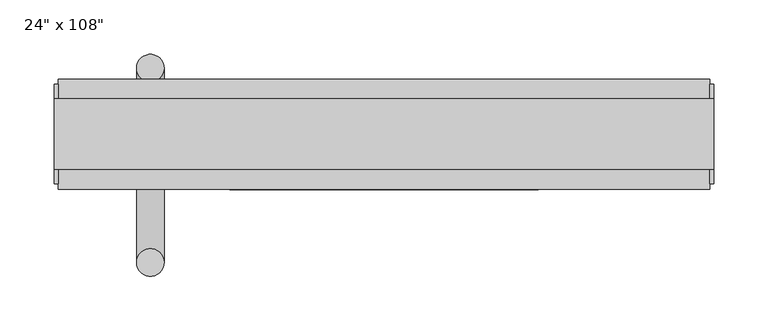
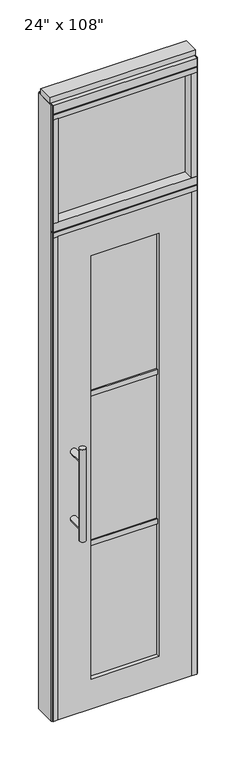
"""IFC4 building model written with IfcOpenShell, lengths in millimetres: furniture geometry."""

from ifc_helpers import new_model, si_unit, frame, origin, origin_with_axes, place, context, project, spatial, polyline, circle_curve, ellipse_curve, outline, extrude, source, transform, mapped, element, save
from ifc_brep_helpers import plane_surface, cylinder_surface, advanced_brep


def furniture_33a9fd7a(model_context):
    return source(origin(), model_context, "Body", "SolidModel", [
        extrude(outline(polyline([(218.6014771, -9.5977216), (-338.6745229, -9.5977216), (-338.6745229, 0.5622784), (218.6014771, 0.5622784), (218.6014771, -9.5977216)])), frame((0.0, 0.0, 2197.1), z_axis=(0.0, 0.0, 1.0), x_axis=(1.0, 0.0, 0.0)), (0.0, 0.0, 1.0), 457.2),
        advanced_brep(
        [(-288.6365229, 56.6962784, 1219.2), (-263.2365229, 56.6962784, 1219.2), (-288.6365229, 56.6962784, 812.8), (-263.2365229, 56.6962784, 812.8), (-263.2365229, 56.6962784, 1164.336), (-263.2365229, 56.6962784, 867.664), (-288.6365229, 56.6962784, 867.664), (-288.6365229, 56.6962784, 1164.336), (-288.6365229, -10.8677216, 1164.336), (-263.2365229, -10.8677216, 1164.336), (-288.6365229, -10.8677216, 867.664), (-263.2365229, -10.8677216, 867.664)],
        [
            (0, 1, circle_curve(frame((-275.9365229, 56.6962784, 1219.2), z_axis=(0.0, 0.0, 1.0), x_axis=(1.0, 0.0, 0.0)), 12.7)),
            (1, 0, circle_curve(frame((-275.9365229, 56.6962784, 1219.2), z_axis=(0.0, 0.0, 1.0), x_axis=(1.0, 0.0, 0.0)), 12.7)),
            (2, 3, circle_curve(frame((-275.9365229, 56.6962784, 812.8), z_axis=(0.0, 0.0, -1.0), x_axis=(1.0, 0.0, 0.0)), 12.7)),
            (3, 2, circle_curve(frame((-275.9365229, 56.6962784, 812.8), z_axis=(0.0, 0.0, -1.0), x_axis=(1.0, 0.0, 0.0)), 12.7)),
            (1, 4),
            (4, 5),
            (5, 3),
            (2, 6),
            (6, 7),
            (7, 0),
            (6, 5, ellipse_curve(frame((-275.9365229, 56.6962784, 867.664), z_axis=(0.0, 0.707106781186565, 0.70710678118653), x_axis=(0.0, -0.70710678118653, 0.707106781186565)), 17.9605122, 12.7)),
            (4, 7, ellipse_curve(frame((-275.9365229, 56.6962784, 1164.336), z_axis=(0.0, 0.70710678118653, -0.7071067811865649), x_axis=(0.0, 0.7071067811865648, 0.7071067811865301)), 17.9605122, 12.7)),
            (7, 4, ellipse_curve(frame((-275.9365229, 56.6962784, 1164.336), z_axis=(0.0, 0.707106781186565, 0.70710678118653), x_axis=(0.0, -0.70710678118653, 0.707106781186565)), 17.9605122, 12.7)),
            (5, 6, ellipse_curve(frame((-275.9365229, 56.6962784, 867.664), z_axis=(0.0, 0.70710678118653, -0.7071067811865649), x_axis=(0.0, 0.7071067811865648, 0.7071067811865301)), 17.9605122, 12.7)),
            (8, 9, circle_curve(frame((-275.9365229, -10.8677216, 1164.336), z_axis=(0.0, -1.0, 0.0), x_axis=(1.0, 0.0, 0.0)), 12.7)),
            (9, 8, circle_curve(frame((-275.9365229, -10.8677216, 1164.336), z_axis=(0.0, -1.0, 0.0), x_axis=(1.0, 0.0, 0.0)), 12.7)),
            (8, 7),
            (4, 9),
            (10, 11, circle_curve(frame((-275.9365229, -10.8677216, 867.664), z_axis=(0.0, -1.0, 0.0), x_axis=(1.0, 0.0, 0.0)), 12.7)),
            (11, 10, circle_curve(frame((-275.9365229, -10.8677216, 867.664), z_axis=(0.0, -1.0, 0.0), x_axis=(1.0, 0.0, 0.0)), 12.7)),
            (10, 6),
            (5, 11),
        ],
        [
            plane_surface(frame((-263.2365229, 56.6962784, 1219.2), z_axis=(0.0, 0.0, 1.0), x_axis=(0.0, -1.0, 0.0))),
            plane_surface(frame((-263.2365229, 56.6962784, 812.8), z_axis=(0.0, 0.0, -1.0), x_axis=(0.0, 1.0, 0.0))),
            cylinder_surface(frame((-275.9365229, 56.6962784, 812.8), z_axis=(0.0, 0.0, 1.0), x_axis=(1.0, 0.0, 0.0)), 12.7),
            plane_surface(frame((-263.2365229, -10.8677216, 1164.336), z_axis=(0.0, -1.0, 0.0), x_axis=(0.0, 0.0, -1.0))),
            cylinder_surface(frame((-275.9365229, -10.8677216, 1164.336), z_axis=(0.0, 1.0, 0.0), x_axis=(1.0, 0.0, 0.0)), 12.7),
            plane_surface(frame((-263.2365229, -10.8677216, 867.664), z_axis=(0.0, -1.0, 0.0), x_axis=(0.0, 0.0, -1.0))),
            cylinder_surface(frame((-275.9365229, -10.8677216, 867.664), z_axis=(0.0, 1.0, 0.0), x_axis=(1.0, 0.0, 0.0)), 12.7),
        ],
        [
            (0, [[1, 2]]),
            (1, [[3, 4]]),
            (2, [[5, 6, 7, -3, 8, 9, 10, -2]]),
            (2, [[-9, 11, -6, 12]]),
            (2, [[-10, 13, -5, -1]]),
            (2, [[-7, 14, -8, -4]]),
            (3, [[15, 16]]),
            (4, [[17, -12, 18, -15]]),
            (4, [[-18, -13, -17, -16]]),
            (5, [[19, 20]]),
            (6, [[21, -14, 22, -19]]),
            (6, [[-22, -11, -21, -20]]),
        ],
    ),
        advanced_brep(
        [(-288.6365229, -122.8817216, 1219.2), (-263.2365229, -122.8817216, 1219.2), (-288.6365229, -122.8817216, 812.8), (-263.2365229, -122.8817216, 812.8), (-288.6365229, -122.8817216, 1164.336), (-288.6365229, -122.8817216, 867.664), (-263.2365229, -122.8817216, 867.664), (-263.2365229, -122.8817216, 1164.336), (-288.6365229, -55.3177216, 1164.336), (-263.2365229, -55.3177216, 1164.336), (-288.6365229, -55.3177216, 867.664), (-263.2365229, -55.3177216, 867.664)],
        [
            (0, 1, circle_curve(frame((-275.9365229, -122.8817216, 1219.2), z_axis=(0.0, 0.0, 1.0), x_axis=(1.0, 0.0, 0.0)), 12.7)),
            (1, 0, circle_curve(frame((-275.9365229, -122.8817216, 1219.2), z_axis=(0.0, 0.0, 1.0), x_axis=(1.0, 0.0, 0.0)), 12.7)),
            (2, 3, circle_curve(frame((-275.9365229, -122.8817216, 812.8), z_axis=(0.0, 0.0, -1.0), x_axis=(1.0, 0.0, 0.0)), 12.7)),
            (3, 2, circle_curve(frame((-275.9365229, -122.8817216, 812.8), z_axis=(0.0, 0.0, -1.0), x_axis=(1.0, 0.0, 0.0)), 12.7)),
            (0, 4),
            (4, 5),
            (5, 2),
            (3, 6),
            (6, 7),
            (7, 1),
            (7, 4, ellipse_curve(frame((-275.9365229, -122.8817216, 1164.336), z_axis=(0.0, -0.707106781186565, 0.70710678118653), x_axis=(0.0, 0.70710678118653, 0.707106781186565)), 17.9605122, 12.7)),
            (5, 6, ellipse_curve(frame((-275.9365229, -122.8817216, 867.664), z_axis=(0.0, -0.70710678118653, -0.7071067811865649), x_axis=(0.0, -0.7071067811865648, 0.7071067811865301)), 17.9605122, 12.7)),
            (4, 7, ellipse_curve(frame((-275.9365229, -122.8817216, 1164.336), z_axis=(0.0, -0.70710678118653, -0.7071067811865649), x_axis=(0.0, -0.7071067811865648, 0.7071067811865301)), 17.9605122, 12.7)),
            (6, 5, ellipse_curve(frame((-275.9365229, -122.8817216, 867.664), z_axis=(0.0, -0.707106781186565, 0.70710678118653), x_axis=(0.0, 0.70710678118653, 0.707106781186565)), 17.9605122, 12.7)),
            (8, 9, circle_curve(frame((-275.9365229, -55.3177216, 1164.336), z_axis=(0.0, 1.0, 0.0), x_axis=(1.0, 0.0, 0.0)), 12.7)),
            (9, 8, circle_curve(frame((-275.9365229, -55.3177216, 1164.336), z_axis=(0.0, 1.0, 0.0), x_axis=(1.0, 0.0, 0.0)), 12.7)),
            (9, 7),
            (4, 8),
            (10, 11, circle_curve(frame((-275.9365229, -55.3177216, 867.664), z_axis=(0.0, 1.0, 0.0), x_axis=(1.0, 0.0, 0.0)), 12.7)),
            (11, 10, circle_curve(frame((-275.9365229, -55.3177216, 867.664), z_axis=(0.0, 1.0, 0.0), x_axis=(1.0, 0.0, 0.0)), 12.7)),
            (11, 6),
            (5, 10),
        ],
        [
            plane_surface(frame((-263.2365229, -122.8817216, 1219.2), z_axis=(0.0, 0.0, 1.0), x_axis=(0.0, 1.0, 0.0))),
            plane_surface(frame((-263.2365229, -122.8817216, 812.8), z_axis=(0.0, 0.0, -1.0), x_axis=(0.0, -1.0, 0.0))),
            cylinder_surface(frame((-275.9365229, -122.8817216, 812.8), z_axis=(0.0, 0.0, 1.0), x_axis=(1.0, 0.0, 0.0)), 12.7),
            plane_surface(frame((-263.2365229, -55.3177216, 1164.336), z_axis=(0.0, 1.0, 0.0), x_axis=(0.0, 0.0, -1.0))),
            cylinder_surface(frame((-275.9365229, -55.3177216, 1164.336), z_axis=(0.0, -1.0, 0.0), x_axis=(1.0, 0.0, 0.0)), 12.7),
            plane_surface(frame((-263.2365229, -55.3177216, 867.664), z_axis=(0.0, 1.0, 0.0), x_axis=(0.0, 0.0, -1.0))),
            cylinder_surface(frame((-275.9365229, -55.3177216, 867.664), z_axis=(0.0, -1.0, 0.0), x_axis=(1.0, 0.0, 0.0)), 12.7),
        ],
        [
            (0, [[1, 2]]),
            (1, [[3, 4]]),
            (2, [[-1, 5, 6, 7, -4, 8, 9, 10]]),
            (2, [[-2, -10, 11, -5]]),
            (2, [[-3, -7, 12, -8]]),
            (2, [[13, -9, 14, -6]]),
            (3, [[15, 16]]),
            (4, [[-16, 17, -13, 18]]),
            (4, [[-15, -18, -11, -17]]),
            (5, [[19, 20]]),
            (6, [[-20, 21, -12, 22]]),
            (6, [[-19, -22, -14, -21]]),
        ],
    ),
        extrude(outline(polyline([(-202.6575229, -44.2052216), (-202.6575229, -21.9802216), (82.5844771, -21.9802216), (82.5844771, -44.2052216), (-202.6575229, -44.2052216)])), frame((0.0, 0.0, 1371.6), z_axis=(0.0, 0.0, 1.0), x_axis=(1.0, 0.0, 0.0)), (0.0, 0.0, 1.0), 22.225),
        extrude(outline(polyline([(-202.6575229, -44.2052216), (-202.6575229, -21.9802216), (82.5844771, -21.9802216), (82.5844771, -44.2052216), (-202.6575229, -44.2052216)])), frame((0.0, 0.0, 711.2), z_axis=(0.0, 0.0, 1.0), x_axis=(1.0, 0.0, 0.0)), (0.0, 0.0, 1.0), 22.225),
        extrude(outline(polyline([(82.5844771, -38.1727216), (-202.6575229, -38.1727216), (-202.6575229, -28.0127216), (82.5844771, -28.0127216), (82.5844771, -38.1727216)])), frame((0.0, 0.0, 132.969), z_axis=(0.0, 0.0, 1.0), x_axis=(1.0, 0.0, 0.0)), (0.0, 0.0, 1.0), 1867.662),
        extrude(outline(polyline([(2133.6, 218.6014771), (2133.6, -338.6745229), (0.0, -338.6745229), (0.0, 218.6014771), (2133.6, 218.6014771)]), holes=[polyline([(2000.631, 82.5844771), (132.969, 82.5844771), (132.969, -202.6575229), (2000.631, -202.6575229), (2000.631, 82.5844771)])]), frame((0.0, -55.3177216, 0.0), z_axis=(0.0, 1.0, 0.0), x_axis=(0.0, 0.0, 1.0)), (0.0, 0.0, 1.0), 44.45),
        extrude(outline(polyline([(-338.6745229, -55.3177216), (-360.8995229, -55.3177216), (-360.8995229, 46.2822784), (-338.6745229, 46.2822784), (-338.6745229, -55.3177216)])), frame((0.0, 0.0, 2197.1), z_axis=(0.0, 0.0, 1.0), x_axis=(1.0, 0.0, 0.0)), (0.0, 0.0, 1.0), 457.2),
        extrude(outline(polyline([(218.6014771, -55.3177216), (218.6014771, 46.2822784), (240.8264771, 46.2822784), (240.8264771, -55.3177216), (218.6014771, -55.3177216)])), frame((0.0, 0.0, 2197.1), z_axis=(0.0, 0.0, 1.0), x_axis=(1.0, 0.0, 0.0)), (0.0, 0.0, 1.0), 457.2),
        extrude(outline(polyline([(-360.8995229, -55.3177216), (-360.8995229, 46.2822784), (240.8264771, 46.2822784), (240.8264771, -55.3177216), (-360.8995229, -55.3177216)])), frame((0.0, 0.0, 2133.6), z_axis=(0.0, 0.0, 1.0), x_axis=(1.0, 0.0, 0.0)), (0.0, 0.0, 1.0), 22.225),
        extrude(outline(polyline([(-55.3177216, 2160.778), (-55.3177216, 2197.1), (46.2822784, 2197.1), (46.2822784, 2160.778), (41.3292784, 2160.778), (41.3292784, 2155.825), (-50.3647216, 2155.825), (-50.3647216, 2160.778), (-55.3177216, 2160.778)])), frame((-360.8995229, 0.0, 0.0), z_axis=(1.0, 0.0, 0.0), x_axis=(0.0, 1.0, 0.0)), (0.0, 0.0, 1.0), 601.726),
        extrude(outline(polyline([(-360.8995229, -55.3177216), (-360.8995229, 46.2822784), (240.8264771, 46.2822784), (240.8264771, -55.3177216), (-360.8995229, -55.3177216)])), frame((0.0, 0.0, 2654.3), z_axis=(0.0, 0.0, 1.0), x_axis=(1.0, 0.0, 0.0)), (0.0, 0.0, 1.0), 22.225),
        extrude(outline(polyline([(244.7634771, -50.3647216), (240.8264771, -50.3647216), (240.8264771, 41.3292784), (244.7634771, 41.3292784), (244.7634771, -50.3647216)])), origin_with_axes(), (0.0, 0.0, 1.0), 2717.8),
        extrude(outline(polyline([(-364.8365229, -50.3647216), (-364.8365229, 41.3292784), (-360.8995229, 41.3292784), (-360.8995229, -50.3647216), (-364.8365229, -50.3647216)])), origin_with_axes(), (0.0, 0.0, 1.0), 2717.8),
        extrude(outline(polyline([(218.6014771, -55.3177216), (218.6014771, 46.2822784), (240.8264771, 46.2822784), (240.8264771, -55.3177216), (218.6014771, -55.3177216)])), origin_with_axes(), (0.0, 0.0, 1.0), 2133.6),
        extrude(outline(polyline([(-338.6745229, -55.3177216), (-360.8995229, -55.3177216), (-360.8995229, 46.2822784), (-338.6745229, 46.2822784), (-338.6745229, -55.3177216)])), origin_with_axes(), (0.0, 0.0, 1.0), 2133.6),
        extrude(outline(polyline([(-55.3177216, 2681.478), (-55.3177216, 2717.8), (46.2822784, 2717.8), (46.2822784, 2681.478), (41.3292784, 2681.478), (41.3292784, 2676.525), (-50.3647216, 2676.525), (-50.3647216, 2681.478), (-55.3177216, 2681.478)])), frame((-360.8995229, 0.0, 0.0), z_axis=(1.0, 0.0, 0.0), x_axis=(0.0, 1.0, 0.0)), (0.0, 0.0, 1.0), 601.726),
        extrude(outline(polyline([(-364.8365229, -37.0297216), (-364.8365229, 27.9942784), (244.7634771, 27.9942784), (244.7634771, -37.0297216), (-364.8365229, -37.0297216)])), frame((0.0, 0.0, 2717.8), z_axis=(0.0, 0.0, 1.0), x_axis=(1.0, 0.0, 0.0)), (0.0, 0.0, 1.0), 25.4),
    ])


if __name__ == "__main__":
    model = new_model("IFC4")
    model_context = context("Model", 3, world=origin())
    ifc_project = project(units=[si_unit("LENGTHUNIT", "METRE", prefix="MILLI")], contexts=[model_context])
    site = spatial("IfcSite", under=ifc_project)
    building = spatial("IfcBuilding", under=site)
    placement = place(None, origin())
    furniture_shape = furniture_33a9fd7a(model_context)
    element("IfcFurniture", 1, ObjectType="24\" x 108\"", at=placement, inside=building, context=model_context, shape_type="MappedRepresentation", body=[
        mapped(furniture_shape, transform((0.0, 0.0, 0.0), x_axis=(1.0, 0.0, 0.0), y_axis=(0.0, 1.0, 0.0), z_axis=(0.0, 0.0, 1.0))),
    ])
    save(model, "model.ifc")
